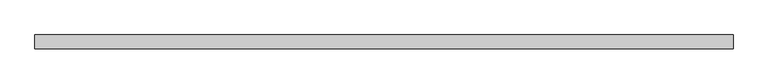
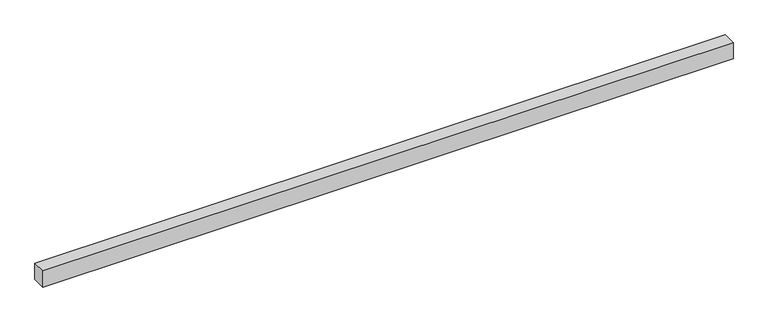
"""IFC4 building model written with IfcOpenShell, lengths in millimetres: proxy geometry."""

from ifc_helpers import new_model, si_unit, origin, origin_with_axes, place, context, project, spatial, polyline, outline, extrude, source, transform, mapped, element, save


def generic_models_7ad06c06(model_context):
    return source(origin(), model_context, "Body", "SweptSolid", [
        extrude(outline(polyline([(4040.0, -40.0), (0.0, -40.0), (0.0, 40.0), (4040.0, 40.0), (4040.0, -40.0)])), origin_with_axes(), (0.0, 0.0, 1.0), 100.0),
    ])


if __name__ == "__main__":
    model = new_model("IFC4")
    model_context = context("Model", 3, world=origin())
    ifc_project = project(units=[si_unit("LENGTHUNIT", "METRE", prefix="MILLI")], contexts=[model_context])
    site = spatial("IfcSite", under=ifc_project)
    building = spatial("IfcBuilding", under=site)
    placement = place(None, origin())
    generic_models_shape = generic_models_7ad06c06(model_context)
    element("IfcBuildingElementProxy", 1, Name="Generic Models", at=placement, inside=building, context=model_context, shape_type="MappedRepresentation", body=[
        mapped(generic_models_shape, transform((0.0, 0.0, 0.0), x_axis=(1.0, 0.0, 0.0), y_axis=(0.0, 1.0, 0.0), z_axis=(0.0, 0.0, 1.0))),
    ])
    save(model, "model.ifc")
